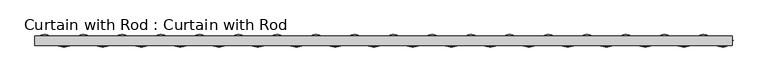
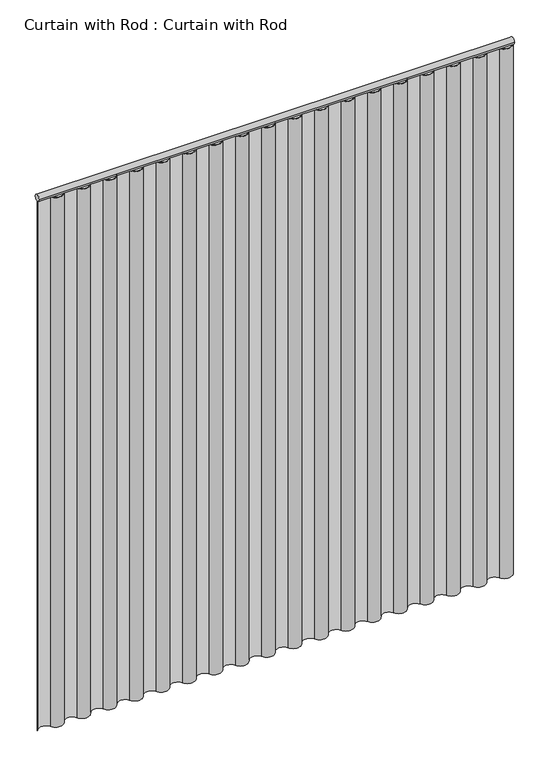
"""IFC4 building model written with IfcOpenShell, lengths in millimetres: proxy geometry, Curtain with Rod : Curtain with Rod."""

from ifc_helpers import new_model, si_unit, point, frame, frame_2d, origin, origin_with_axes, place, context, project, spatial, polyline, circle_curve, trimmed, segment, composite_curve, outline, extrude, source, transform, mapped, element, save


def curtain_with_rod_curtain_with_rod_e878bd90(model_context):
    return source(origin(), model_context, "Body", "SweptSolid", [
        extrude(outline(composite_curve([segment(trimmed(circle_curve(frame_2d((0.0, 2171.7)), 12.7), [point((-12.7, 2171.7))], [point((12.7, 2171.7))], False, "CARTESIAN"), True, "CONTINUOUS"), segment(trimmed(circle_curve(frame_2d((0.0, 2171.7)), 12.7), [point((12.7, 2171.7))], [point((-12.7, 2171.7))], False, "CARTESIAN"), True, "CONTINUOUS")], self_intersect=False)), frame((-916.72328, 0.0, 0.0), z_axis=(1.0, 0.0, 0.0), x_axis=(0.0, 1.0, 0.0)), (0.0, 0.0, 1.0), 1833.4465601),
        extrude(outline(composite_curve([segment(trimmed(circle_curve(frame_2d((-840.3296734, 12.820239)), 28.5096668), [point((-865.7942089, 0.0))], [point((-814.8651378, 0.0))], True, "CARTESIAN"), True, "CONTINUOUS"), segment(trimmed(circle_curve(frame_2d((-789.4006023, -12.8016835)), 28.5013276), [point((-814.8651378, 0.0))], [point((-763.9360667, 0.0))], False, "CARTESIAN"), True, "CONTINUOUS"), segment(trimmed(circle_curve(frame_2d((-738.4715311, 12.8016835)), 28.5013276), [point((-763.9360667, 0.0))], [point((-713.0069956, 0.0))], True, "CARTESIAN"), True, "CONTINUOUS"), segment(trimmed(circle_curve(frame_2d((-687.54246, -12.8016835)), 28.5013276), [point((-713.0069956, 0.0))], [point((-662.0779245, 0.0))], False, "CARTESIAN"), True, "CONTINUOUS"), segment(trimmed(circle_curve(frame_2d((-636.6133889, 12.8016835)), 28.5013276), [point((-662.0779245, 0.0))], [point((-611.1488534, 0.0))], True, "CARTESIAN"), True, "CONTINUOUS"), segment(trimmed(circle_curve(frame_2d((-585.6843178, -12.8016835)), 28.5013276), [point((-611.1488534, 0.0))], [point((-560.2197822, 0.0))], False, "CARTESIAN"), True, "CONTINUOUS"), segment(trimmed(circle_curve(frame_2d((-534.7552467, 12.8016835)), 28.5013276), [point((-560.2197822, 0.0))], [point((-509.2907111, 0.0))], True, "CARTESIAN"), True, "CONTINUOUS"), segment(trimmed(circle_curve(frame_2d((-483.8261756, -12.8016835)), 28.5013276), [point((-509.2907111, 0.0))], [point((-458.36164, 0.0))], False, "CARTESIAN"), True, "CONTINUOUS"), segment(trimmed(circle_curve(frame_2d((-432.8971045, 12.8016835)), 28.5013276), [point((-458.36164, 0.0))], [point((-407.4325689, 0.0))], True, "CARTESIAN"), True, "CONTINUOUS"), segment(trimmed(circle_curve(frame_2d((-381.9680334, -12.8016835)), 28.5013276), [point((-407.4325689, 0.0))], [point((-356.5034978, 0.0))], False, "CARTESIAN"), True, "CONTINUOUS"), segment(trimmed(circle_curve(frame_2d((-331.0389622, 12.8016835)), 28.5013276), [point((-356.5034978, 0.0))], [point((-305.5744267, 0.0))], True, "CARTESIAN"), True, "CONTINUOUS"), segment(trimmed(circle_curve(frame_2d((-280.1098911, -12.8016835)), 28.5013276), [point((-305.5744267, 0.0))], [point((-254.6453556, 0.0))], False, "CARTESIAN"), True, "CONTINUOUS"), segment(trimmed(circle_curve(frame_2d((-229.18082, 12.8016835)), 28.5013276), [point((-254.6453556, 0.0))], [point((-203.7162845, 0.0))], True, "CARTESIAN"), True, "CONTINUOUS"), segment(trimmed(circle_curve(frame_2d((-178.2517489, -12.8016835)), 28.5013276), [point((-203.7162845, 0.0))], [point((-152.7872133, 0.0))], False, "CARTESIAN"), True, "CONTINUOUS"), segment(trimmed(circle_curve(frame_2d((-127.3226778, 12.8016835)), 28.5013276), [point((-152.7872133, 0.0))], [point((-101.8581422, 0.0))], True, "CARTESIAN"), True, "CONTINUOUS"), segment(trimmed(circle_curve(frame_2d((-76.3936067, -12.8016835)), 28.5013276), [point((-101.8581422, 0.0))], [point((-50.9290711, 0.0))], False, "CARTESIAN"), True, "CONTINUOUS"), segment(trimmed(circle_curve(frame_2d((-25.4645356, 12.8016835)), 28.5013276), [point((-50.9290711, 0.0))], [point((0.0, 0.0))], True, "CARTESIAN"), True, "CONTINUOUS"), segment(trimmed(circle_curve(frame_2d((25.4645356, -12.8016835)), 28.5013276), [point((0.0, 0.0))], [point((50.9290711, 0.0))], False, "CARTESIAN"), True, "CONTINUOUS"), segment(trimmed(circle_curve(frame_2d((76.3936067, 12.8016835)), 28.5013276), [point((50.9290711, 0.0))], [point((101.8581422, 0.0))], True, "CARTESIAN"), True, "CONTINUOUS"), segment(trimmed(circle_curve(frame_2d((127.3226778, -12.8016835)), 28.5013276), [point((101.8581422, 0.0))], [point((152.7872133, 0.0))], False, "CARTESIAN"), True, "CONTINUOUS"), segment(trimmed(circle_curve(frame_2d((178.2517489, 12.8016835)), 28.5013276), [point((152.7872133, 0.0))], [point((203.7162845, 0.0))], True, "CARTESIAN"), True, "CONTINUOUS"), segment(trimmed(circle_curve(frame_2d((229.18082, -12.8016835)), 28.5013276), [point((203.7162845, 0.0))], [point((254.6453556, 0.0))], False, "CARTESIAN"), True, "CONTINUOUS"), segment(trimmed(circle_curve(frame_2d((280.1098911, 12.8016835)), 28.5013276), [point((254.6453556, 0.0))], [point((305.5744267, 0.0))], True, "CARTESIAN"), True, "CONTINUOUS"), segment(trimmed(circle_curve(frame_2d((331.0389622, -12.8016835)), 28.5013276), [point((305.5744267, 0.0))], [point((356.5034978, 0.0))], False, "CARTESIAN"), True, "CONTINUOUS"), segment(trimmed(circle_curve(frame_2d((381.9680334, 12.8016835)), 28.5013276), [point((356.5034978, 0.0))], [point((407.4325689, 0.0))], True, "CARTESIAN"), True, "CONTINUOUS"), segment(trimmed(circle_curve(frame_2d((432.8971045, -12.8016835)), 28.5013276), [point((407.4325689, 0.0))], [point((458.36164, 0.0))], False, "CARTESIAN"), True, "CONTINUOUS"), segment(trimmed(circle_curve(frame_2d((483.8261756, 12.8016835)), 28.5013276), [point((458.36164, 0.0))], [point((509.2907111, 0.0))], True, "CARTESIAN"), True, "CONTINUOUS"), segment(trimmed(circle_curve(frame_2d((534.7552467, -12.8016835)), 28.5013276), [point((509.2907111, 0.0))], [point((560.2197822, 0.0))], False, "CARTESIAN"), True, "CONTINUOUS"), segment(trimmed(circle_curve(frame_2d((585.6843178, 12.8016835)), 28.5013276), [point((560.2197822, 0.0))], [point((611.1488534, 0.0))], True, "CARTESIAN"), True, "CONTINUOUS"), segment(trimmed(circle_curve(frame_2d((636.6133889, -12.8016835)), 28.5013276), [point((611.1488534, 0.0))], [point((662.0779245, 0.0))], False, "CARTESIAN"), True, "CONTINUOUS"), segment(trimmed(circle_curve(frame_2d((687.54246, 12.8016835)), 28.5013276), [point((662.0779245, 0.0))], [point((713.0069956, 0.0))], True, "CARTESIAN"), True, "CONTINUOUS"), segment(trimmed(circle_curve(frame_2d((738.4715311, -12.8016835)), 28.5013276), [point((713.0069956, 0.0))], [point((763.9360667, 0.0))], False, "CARTESIAN"), True, "CONTINUOUS"), segment(trimmed(circle_curve(frame_2d((789.4006023, 12.8073641)), 28.5038795), [point((763.9360667, 0.0))], [point((814.8651378, 0.0))], True, "CARTESIAN"), True, "CONTINUOUS"), segment(trimmed(circle_curve(frame_2d((840.3296734, -12.7660758)), 28.4853517), [point((814.8651378, 0.0))], [point((865.7942089, 0.0))], False, "CARTESIAN"), True, "CONTINUOUS"), segment(trimmed(circle_curve(frame_2d((891.2587445, 12.7018692)), 28.4566346), [point((865.7942089, 0.0))], [point((916.72328, 0.0))], True, "CARTESIAN"), True, "CONTINUOUS"), segment(polyline([(916.72328, 0.0), (918.5543295, 0.0)]), True, "CONTINUOUS"), segment(trimmed(circle_curve(frame_2d((891.2587445, 12.7018692)), 30.1062525), [point((918.5543295, 0.0))], [point((864.3684342, -0.8368771))], False, "CARTESIAN"), True, "CONTINUOUS"), segment(trimmed(circle_curve(frame_2d((840.3296734, -12.7660758)), 26.8359424), [point((864.3684342, -0.8368771))], [point((816.3514136, -0.7157289))], True, "CARTESIAN"), True, "CONTINUOUS"), segment(trimmed(circle_curve(frame_2d((789.4006023, 12.8073641)), 30.1532797), [point((816.3514136, -0.7157289))], [point((762.456349, -0.7287909))], False, "CARTESIAN"), True, "CONTINUOUS"), segment(trimmed(circle_curve(frame_2d((738.4715311, -12.8016835)), 26.8519315), [point((762.456349, -0.7287909))], [point((714.4849528, -0.732289))], True, "CARTESIAN"), True, "CONTINUOUS"), segment(trimmed(circle_curve(frame_2d((687.54246, 12.8016835)), 30.1507269), [point((714.4849528, -0.732289))], [point((660.5993405, -0.7310412))], False, "CARTESIAN"), True, "CONTINUOUS"), segment(trimmed(circle_curve(frame_2d((636.6133889, -12.8016835)), 26.8519325), [point((660.5993405, -0.7310412))], [point((612.6268087, -0.7322905))], True, "CARTESIAN"), True, "CONTINUOUS"), segment(trimmed(circle_curve(frame_2d((585.6843178, 12.8016835)), 30.1507259), [point((612.6268087, -0.7322905))], [point((558.7411984, -0.7310392))], False, "CARTESIAN"), True, "CONTINUOUS"), segment(trimmed(circle_curve(frame_2d((534.7552467, -12.8016835)), 26.8519335), [point((558.7411984, -0.7310392))], [point((510.7686648, -0.7322916))], True, "CARTESIAN"), True, "CONTINUOUS"), segment(trimmed(circle_curve(frame_2d((483.8261756, 12.8016835)), 30.1507248), [point((510.7686648, -0.7322916))], [point((456.8830562, -0.7310371))], False, "CARTESIAN"), True, "CONTINUOUS"), segment(trimmed(circle_curve(frame_2d((432.8971045, -12.8016835)), 26.8519345), [point((456.8830562, -0.7310371))], [point((408.9105209, -0.7322927))], True, "CARTESIAN"), True, "CONTINUOUS"), segment(trimmed(circle_curve(frame_2d((381.9680334, 12.8016835)), 30.1507238), [point((408.9105209, -0.7322927))], [point((355.0249141, -0.7310351))], False, "CARTESIAN"), True, "CONTINUOUS"), segment(trimmed(circle_curve(frame_2d((331.0389622, -12.8016835)), 26.8519355), [point((355.0249141, -0.7310351))], [point((307.052377, -0.7322938))], True, "CARTESIAN"), True, "CONTINUOUS"), segment(trimmed(circle_curve(frame_2d((280.1098911, 12.8016835)), 30.1507228), [point((307.052377, -0.7322938))], [point((253.166772, -0.731033))], False, "CARTESIAN"), True, "CONTINUOUS"), segment(trimmed(circle_curve(frame_2d((229.18082, -12.8016835)), 26.8519366), [point((253.166772, -0.731033))], [point((205.1942331, -0.7322949))], True, "CARTESIAN"), True, "CONTINUOUS"), segment(trimmed(circle_curve(frame_2d((178.2517489, 12.8016835)), 30.1507218), [point((205.1942331, -0.7322949))], [point((151.3086299, -0.731031))], False, "CARTESIAN"), True, "CONTINUOUS"), segment(trimmed(circle_curve(frame_2d((127.3226778, -12.8016835)), 26.8519376), [point((151.3086299, -0.731031))], [point((103.3360891, -0.7322959))], True, "CARTESIAN"), True, "CONTINUOUS"), segment(trimmed(circle_curve(frame_2d((76.3936067, 12.8016835)), 30.1507208), [point((103.3360891, -0.7322959))], [point((49.4504878, -0.7310289))], False, "CARTESIAN"), True, "CONTINUOUS"), segment(trimmed(circle_curve(frame_2d((25.4645356, -12.8016835)), 26.8519386), [point((49.4504878, -0.7310289))], [point((1.4779452, -0.732297))], True, "CARTESIAN"), True, "CONTINUOUS"), segment(trimmed(circle_curve(frame_2d((-25.4645356, 12.8016835)), 30.1507197), [point((1.4779452, -0.732297))], [point((-52.4076543, -0.7310268))], False, "CARTESIAN"), True, "CONTINUOUS"), segment(trimmed(circle_curve(frame_2d((-76.3936067, -12.8016835)), 26.8519396), [point((-52.4076543, -0.7310268))], [point((-100.3801987, -0.7322981))], True, "CARTESIAN"), True, "CONTINUOUS"), segment(trimmed(circle_curve(frame_2d((-127.3226778, 12.8016835)), 30.1507187), [point((-100.3801987, -0.7322981))], [point((-154.2657965, -0.7310248))], False, "CARTESIAN"), True, "CONTINUOUS"), segment(trimmed(circle_curve(frame_2d((-178.2517489, -12.8016835)), 26.8519407), [point((-154.2657965, -0.7310248))], [point((-202.2383426, -0.7322992))], True, "CARTESIAN"), True, "CONTINUOUS"), segment(trimmed(circle_curve(frame_2d((-229.18082, 12.8016835)), 30.1507177), [point((-202.2383426, -0.7322992))], [point((-256.1239386, -0.7310227))], False, "CARTESIAN"), True, "CONTINUOUS"), segment(trimmed(circle_curve(frame_2d((-280.1098911, -12.8016835)), 26.8519417), [point((-256.1239386, -0.7310227))], [point((-304.0964865, -0.7323002))], True, "CARTESIAN"), True, "CONTINUOUS"), segment(trimmed(circle_curve(frame_2d((-331.0389622, 12.8016835)), 30.1507166), [point((-304.0964865, -0.7323002))], [point((-357.9820807, -0.7310207))], False, "CARTESIAN"), True, "CONTINUOUS"), segment(trimmed(circle_curve(frame_2d((-381.9680334, -12.8016835)), 26.8519427), [point((-357.9820807, -0.7310207))], [point((-405.9546305, -0.7323013))], True, "CARTESIAN"), True, "CONTINUOUS"), segment(trimmed(circle_curve(frame_2d((-432.8971045, 12.8016835)), 30.1507156), [point((-405.9546305, -0.7323013))], [point((-459.8402228, -0.7310186))], False, "CARTESIAN"), True, "CONTINUOUS"), segment(trimmed(circle_curve(frame_2d((-483.8261756, -12.8016835)), 26.8519438), [point((-459.8402228, -0.7310186))], [point((-507.8127744, -0.7323024))], True, "CARTESIAN"), True, "CONTINUOUS"), segment(trimmed(circle_curve(frame_2d((-534.7552467, 12.8016835)), 30.1507146), [point((-507.8127744, -0.7323024))], [point((-561.6983649, -0.7310165))], False, "CARTESIAN"), True, "CONTINUOUS"), segment(trimmed(circle_curve(frame_2d((-585.6843178, -12.8016835)), 26.8519448), [point((-561.6983649, -0.7310165))], [point((-609.6709183, -0.7323034))], True, "CARTESIAN"), True, "CONTINUOUS"), segment(trimmed(circle_curve(frame_2d((-636.6133889, 12.8016835)), 30.1507135), [point((-609.6709183, -0.7323034))], [point((-663.556507, -0.7310145))], False, "CARTESIAN"), True, "CONTINUOUS"), segment(trimmed(circle_curve(frame_2d((-687.54246, -12.8016835)), 26.8519459), [point((-663.556507, -0.7310145))], [point((-711.5290624, -0.7323047))], True, "CARTESIAN"), True, "CONTINUOUS"), segment(trimmed(circle_curve(frame_2d((-738.4715311, 12.8016835)), 30.1507125), [point((-711.5290624, -0.7323047))], [point((-765.414648, -0.7310146))], False, "CARTESIAN"), True, "CONTINUOUS"), segment(trimmed(circle_curve(frame_2d((-789.4006023, -12.8016835)), 26.8519469), [point((-765.414648, -0.7310146))], [point((-813.3835205, -0.7249835))], True, "CARTESIAN"), True, "CONTINUOUS"), segment(trimmed(circle_curve(frame_2d((-840.3296734, 12.820239)), 30.1590485), [point((-813.3835205, -0.7249835))], [point((-867.231925, -0.8119678))], False, "CARTESIAN"), True, "CONTINUOUS"), segment(trimmed(circle_curve(frame_2d((-891.2587445, -12.9779855)), 26.931395), [point((-867.231925, -0.8119678))], [point((-914.8568786, 0.0))], True, "CARTESIAN"), True, "CONTINUOUS"), segment(polyline([(-914.8568786, 0.0), (-916.72328, 0.0)]), True, "CONTINUOUS"), segment(trimmed(circle_curve(frame_2d((-891.2587445, -12.9779855)), 28.5809496), [point((-916.72328, 0.0))], [point((-865.7942089, 0.0))], False, "CARTESIAN"), True, "CONTINUOUS")], self_intersect=False)), origin_with_axes(), (0.0, 0.0, 1.0), 2159.0),
    ])


if __name__ == "__main__":
    model = new_model("IFC4")
    model_context = context("Model", 3, world=origin())
    ifc_project = project(units=[si_unit("LENGTHUNIT", "METRE", prefix="MILLI")], contexts=[model_context])
    site = spatial("IfcSite", under=ifc_project)
    building = spatial("IfcBuilding", under=site)
    placement = place(None, origin())
    curtain_with_rod_curtain_with_rod_shape = curtain_with_rod_curtain_with_rod_e878bd90(model_context)
    element("IfcBuildingElementProxy", 1, Name="Curtain with Rod : Curtain with Rod", ObjectType="Curtain with Rod : Curtain with Rod", at=placement, inside=building, context=model_context, shape_type="MappedRepresentation", body=[
        mapped(curtain_with_rod_curtain_with_rod_shape, transform((0.0, 0.0, 0.0), x_axis=(1.0, 0.0, 0.0), y_axis=(0.0, 1.0, 0.0), z_axis=(0.0, 0.0, 1.0))),
    ])
    save(model, "model.ifc")
